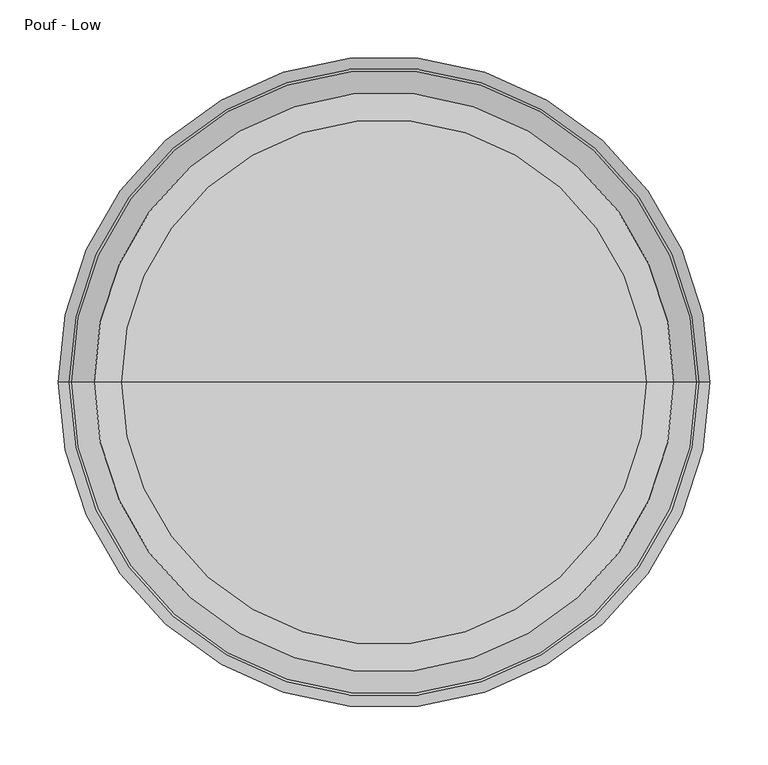
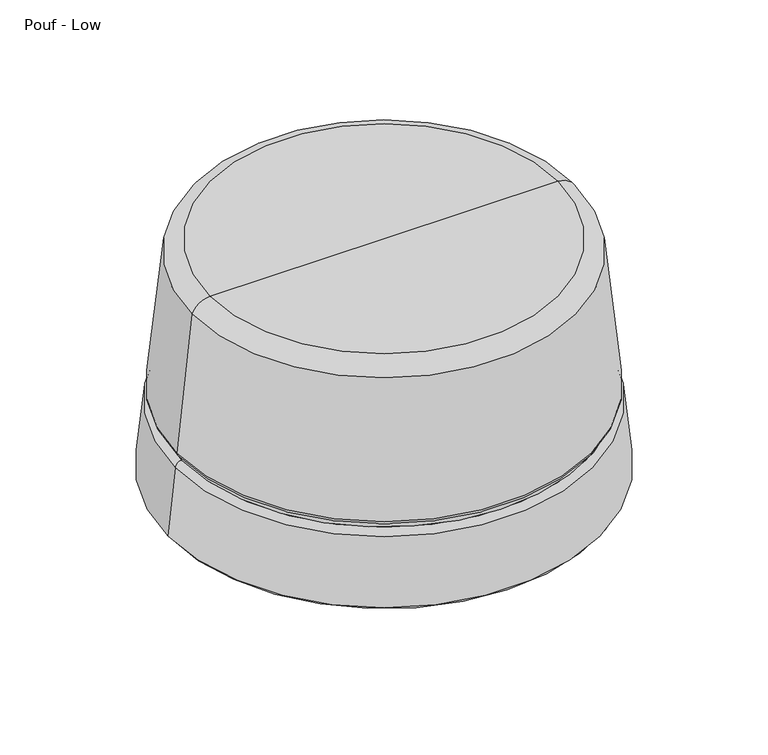
"""IFC4 building model written with IfcOpenShell, lengths in millimetres: furniture geometry, Pouf - Low."""

import ifcopenshell
import ifcopenshell.guid

model = None  # the IFC model being written
_history = None  # IfcOwnerHistory: only IFC2X3 demands one
_inside = {}  # id of a spatial element -> (the spatial element, [elements in it])
_under = {}  # id of a project, library or spatial element -> (it, [spatial elements below it])
_declared = {}  # id of a project -> (the project, [libraries it declares])
_typed = {}  # id of a type object -> (the type object, [elements of that type])
_made_of = {}  # id of a material, layer set ... -> (it, [elements and type objects made of it])


def new_model(schema):
    """Start an empty IFC model of exactly this schema.

    Asked for "IFC4X3", IfcOpenShell would pick the latest addendum, in which some entities
    have other attributes; the version numbers below select the first issue.
    IFC2X3 requires an IfcOwnerHistory on every rooted entity: one is made here for all.
    """
    global model, _history
    if schema == "IFC4X3":
        model = ifcopenshell.file(schema_version=(4, 3, 0, 0))
    else:
        model = ifcopenshell.file(schema=schema)
    _inside.clear()
    _under.clear()
    _declared.clear()
    _typed.clear()
    _made_of.clear()
    _history = None
    if model.schema == "IFC2X3":
        org = make("IfcOrganization", Name="unknown")
        user = make(
            "IfcPersonAndOrganization",
            ThePerson=make("IfcPerson", FamilyName="unknown"),
            TheOrganization=org,
        )
        app = make(
            "IfcApplication",
            ApplicationDeveloper=org,
            Version="unknown",
            ApplicationFullName="unknown",
            ApplicationIdentifier="unknown",
        )
        _history = make(
            "IfcOwnerHistory",
            OwningUser=user,
            OwningApplication=app,
            ChangeAction="ADDED",
            CreationDate=0,
        )
    return model


def make(cls, **values):
    """One entity of the class cls with the attributes given. An attribute that is None is left unset."""
    return model.create_entity(
        cls, **{name: value for name, value in values.items() if value is not None}
    )


def rooted(cls, **values):
    """An entity with a GlobalId (a new one), such as an element, a storey or a relation."""
    return make(cls, GlobalId=ifcopenshell.guid.new(), OwnerHistory=_history, **values)


def si_unit(unit_type, name, prefix=None):
    """IfcSIUnit, for example si_unit("LENGTHUNIT", "METRE", prefix="MILLI")."""
    return make("IfcSIUnit", UnitType=unit_type, Prefix=prefix, Name=name)


def assignment(units):
    """IfcUnitAssignment: the units of a project."""
    return None if units is None else make("IfcUnitAssignment", Units=units)


def point(xyz):
    """IfcCartesianPoint."""
    return None if xyz is None else make("IfcCartesianPoint", Coordinates=xyz)


def direction(xyz):
    """IfcDirection."""
    return None if xyz is None else make("IfcDirection", DirectionRatios=xyz)


def frame(location, z_axis=None, x_axis=None):
    """IfcAxis2Placement3D, a coordinate frame: its origin and axes. An axis left out is left unset."""
    return make(
        "IfcAxis2Placement3D",
        Location=point(location),
        Axis=direction(z_axis),
        RefDirection=direction(x_axis),
    )


def origin():
    """The frame at (0, 0, 0) with its axes left unset."""
    return frame((0.0, 0.0, 0.0))


def place(relative_to, where):
    """IfcLocalPlacement: puts the frame where relative to a parent placement (None: the world)."""
    return make(
        "IfcLocalPlacement", PlacementRelTo=relative_to, RelativePlacement=where
    )


def context(
    kind, dimensions, precision=None, world=None, true_north=None, identifier=None
):
    """IfcGeometricRepresentationContext, for example the 3D "Model" context."""
    return make(
        "IfcGeometricRepresentationContext",
        ContextIdentifier=identifier,
        ContextType=kind,
        CoordinateSpaceDimension=dimensions,
        Precision=precision,
        WorldCoordinateSystem=world,
        TrueNorth=true_north,
    )


def project(units=None, contexts=None):
    """IfcProject with its units and contexts."""
    return rooted(
        "IfcProject",
        Name="project",
        RepresentationContexts=contexts,
        UnitsInContext=assignment(units),
    )


def spatial(cls, under=None, at=None, **own):
    """A site, building, storey or space (cls), placed at a placement, below another one or the project."""
    s = rooted(cls, ObjectPlacement=at, **own)
    if under is not None:
        _under.setdefault(under.id(), (under, []))[1].append(s)
    return s


def polyline(points):
    """IfcPolyline through the points."""
    return make("IfcPolyline", Points=[point(p) for p in points])


def circle_curve(where, radius):
    """IfcCircle in the frame where."""
    return make("IfcCircle", Position=where, Radius=radius)


def ellipse_curve(where, semi_axis1, semi_axis2):
    """IfcEllipse in the frame where."""
    return make(
        "IfcEllipse", Position=where, SemiAxis1=semi_axis1, SemiAxis2=semi_axis2
    )


def trimmed(basis, trim1, trim2, sense, master):
    """IfcTrimmedCurve: the piece of a basis curve between two trims."""
    return make(
        "IfcTrimmedCurve",
        BasisCurve=basis,
        Trim1=trim1,
        Trim2=trim2,
        SenseAgreement=sense,
        MasterRepresentation=master,
    )


def shape(context_of_items, identifier, shape_type, items):
    """IfcShapeRepresentation: the items that make up one representation, for example the "Body"."""
    return make(
        "IfcShapeRepresentation",
        ContextOfItems=context_of_items,
        RepresentationIdentifier=identifier,
        RepresentationType=shape_type,
        Items=items,
    )


def source(mapping_origin, context_of_items, identifier, shape_type, items):
    """IfcRepresentationMap: a shape defined once, which mapped items show again and again."""
    return make(
        "IfcRepresentationMap",
        MappingOrigin=mapping_origin,
        MappedRepresentation=shape(context_of_items, identifier, shape_type, items),
    )


def transform(
    local_origin,
    x_axis=None,
    y_axis=None,
    z_axis=None,
    scale=None,
    scale2=None,
    scale3=None,
    uniform=True,
):
    """IfcCartesianTransformationOperator3D, or its non-uniform kind. x_axis, y_axis, z_axis: its Axis1, 2, 3."""
    if uniform:
        return make(
            "IfcCartesianTransformationOperator3D",
            Axis1=direction(x_axis),
            Axis2=direction(y_axis),
            LocalOrigin=point(local_origin),
            Scale=scale,
            Axis3=direction(z_axis),
        )
    return make(
        "IfcCartesianTransformationOperator3DnonUniform",
        Axis1=direction(x_axis),
        Axis2=direction(y_axis),
        LocalOrigin=point(local_origin),
        Scale=scale,
        Axis3=direction(z_axis),
        Scale2=scale2,
        Scale3=scale3,
    )


def mapped(mapping_source, mapping_target):
    """IfcMappedItem: shows the shape of a source again, moved by a transform."""
    return make(
        "IfcMappedItem", MappingSource=mapping_source, MappingTarget=mapping_target
    )


def made_of(thing, what):
    """Note that an element or type object is made of a material, layer set ...; save() writes the relation."""
    if what is not None:
        _made_of.setdefault(what.id(), (what, []))[1].append(thing)
    return thing


def element(
    cls,
    number,
    at=None,
    inside=None,
    cuts=None,
    type_object=None,
    material=None,
    context=None,
    identifier="Body",
    shape_type=None,
    held_by="IfcProductDefinitionShape",
    body=None,
    shapes=None,
    **own,
):
    """One element of the class cls, such as IfcWall. Its Tag is "e" and its number.

    at: its placement. inside: the storey or other place that contains it. cuts: it is an
    opening in that element (IfcRelVoidsElement). A single representation is given by context,
    identifier, shape_type and body (its items); several are given by shapes. held_by: the class
    of the entity that holds the representations. save() writes the other relations.
    """
    e = rooted(cls, Tag="e%d" % number, ObjectPlacement=at, **own)
    if body is not None:
        shapes = [shape(context, identifier, shape_type, body)]
    if shapes is not None:
        e.Representation = make(held_by, Representations=shapes)
    if inside is not None:
        _inside.setdefault(inside.id(), (inside, []))[1].append(e)
    if cuts is not None:
        rooted(
            "IfcRelVoidsElement", RelatingBuildingElement=cuts, RelatedOpeningElement=e
        )
    if type_object is not None:
        _typed.setdefault(type_object.id(), (type_object, []))[1].append(e)
    return made_of(e, material)


def aggregate(whole, parts):
    """IfcRelAggregates: a whole, such as a stair, and the parts it consists of."""
    return rooted("IfcRelAggregates", RelatingObject=whole, RelatedObjects=parts)


def save(model, path):
    """Write the relations noted so far, then the file.

    IfcRelAggregates (storeys below a building ...), IfcRelContainedInSpatialStructure (elements
    in a storey), IfcRelDefinesByType, IfcRelAssociatesMaterial and IfcRelDeclares: one each for
    every whole, place, type object, material and project.
    """
    for whole, parts in _under.values():
        aggregate(whole, parts)
    for where, things in _inside.values():
        rooted(
            "IfcRelContainedInSpatialStructure",
            RelatedElements=things,
            RelatingStructure=where,
        )
    for kind, things in _typed.values():
        rooted("IfcRelDefinesByType", RelatedObjects=things, RelatingType=kind)
    for what, things in _made_of.values():
        rooted("IfcRelAssociatesMaterial", RelatedObjects=things, RelatingMaterial=what)
    for by, libraries in _declared.values():
        rooted("IfcRelDeclares", RelatingContext=by, RelatedDefinitions=libraries)
    model.write(path)


def plane_surface(at):
    """IfcPlane: the flat surface through the origin of the frame at, square to its z axis."""
    return make("IfcPlane", Position=at)


def cylinder_surface(at, radius):
    """IfcCylindricalSurface: all points at the distance radius from the z axis of the frame at."""
    return make("IfcCylindricalSurface", Position=at, Radius=radius)


def revolved_surface(curve, axis_point, axis_direction):
    """IfcSurfaceOfRevolution: the curve turned about the line through axis_point along axis_direction."""
    return make(
        "IfcSurfaceOfRevolution",
        SweptCurve=make("IfcArbitraryOpenProfileDef", ProfileType="CURVE", Curve=curve),
        AxisPosition=make("IfcAxis1Placement", Location=point(axis_point), Axis=direction(axis_direction)),
    )


def advanced_brep(points, edges, surfaces, faces):
    """IfcAdvancedBrep: a solid bounded by faces that lie on surfaces and meet in shared edges.

    An edge is (start, end): straight between two places in points (the first is 0);
    or (start, end, curve); or (start, end, curve, False) where it runs against its curve.
    A face is (place in surfaces, loops), or (place, loops, False) where it looks against
    its surface's normal. A loop lists edges by number (the first is 1), with a minus sign
    where the edge is run from its end to its start. The first loop is the outer one.
    """
    corners = [point(p) for p in points]
    vertices = [make("IfcVertexPoint", VertexGeometry=c) for c in corners]
    made = []
    for start, end, *more in edges:
        made.append(
            make(
                "IfcEdgeCurve",
                EdgeStart=vertices[start],
                EdgeEnd=vertices[end],
                EdgeGeometry=more[0] if more else make("IfcPolyline", Points=[corners[start], corners[end]]),
                SameSense=more[1] if len(more) > 1 else True,
            )
        )
    hull = []
    for where, loops, *sense in faces:
        bounds = []
        for j, loop in enumerate(loops):
            ring = [make("IfcOrientedEdge", EdgeElement=made[abs(k) - 1], Orientation=k > 0) for k in loop]
            bounds.append(
                make(
                    "IfcFaceOuterBound" if j == 0 else "IfcFaceBound",
                    Bound=make("IfcEdgeLoop", EdgeList=ring),
                    Orientation=True,
                )
            )
        hull.append(make("IfcAdvancedFace", Bounds=bounds, FaceSurface=surfaces[where], SameSense=sense[0] if sense else True))
    return make("IfcAdvancedBrep", Outer=make("IfcClosedShell", CfsFaces=hull))


def pouf_low_6088260b(model_context):
    return source(origin(), model_context, "Body", "AdvancedBrep", [
        advanced_brep(
        [(85.690561, -281.9300781, 380.0078125), (536.609439, -281.9300781, 380.0078125), (311.15, -281.9300781, 380.0078125), (42.6841337, -281.9300781, 180.017355), (579.6158663, -281.9300781, 180.017355), (560.3197528, -281.9300781, 363.6076112), (61.9802472, -281.9300781, 363.6076112), (48.4172088, -281.9300781, 174.2842799), (573.8827913, -281.9300781, 174.2842799), (48.4172088, -281.9300781, 168.3822003), (573.8827913, -281.9300781, 168.3822003), (40.6442598, -281.9300781, 160.6092514), (581.6557402, -281.9300781, 160.6092514), (31.1050781, -281.9300781, 69.85), (591.1949219, -281.9300781, 69.85), (311.15, -281.9300781, 69.85)],
        [
            (0, 1, circle_curve(frame((311.15, -281.9300781, 380.0078125), z_axis=(0.0, 0.0, 1.0), x_axis=(1.0, 0.0, 0.0)), 225.459439)),
            (1, 2),
            (2, 0),
            (1, 0, circle_curve(frame((311.15, -281.9300781, 380.0078125), z_axis=(0.0, 0.0, 1.0), x_axis=(1.0, 0.0, 0.0)), 225.459439)),
            (3, 4, circle_curve(frame((311.15, -281.9300781, 180.017355), z_axis=(0.0, 0.0, 1.0), x_axis=(1.0, 0.0, 0.0)), 268.4658663)),
            (4, 5),
            (5, 6, circle_curve(frame((311.15, -281.9300781, 363.6076112), z_axis=(0.0, 0.0, -1.0), x_axis=(1.0, 0.0, 0.0)), 249.1697528)),
            (6, 3),
            (4, 3, circle_curve(frame((311.15, -281.9300781, 180.017355), z_axis=(0.0, 0.0, 1.0), x_axis=(1.0, 0.0, 0.0)), 268.4658663)),
            (6, 5, circle_curve(frame((311.15, -281.9300781, 363.6076112), z_axis=(0.0, 0.0, -1.0), x_axis=(1.0, 0.0, 0.0)), 249.1697528)),
            (7, 8, circle_curve(frame((311.15, -281.9300781, 174.2842799), z_axis=(0.0, 0.0, 1.0), x_axis=(1.0, 0.0, 0.0)), 262.7327912)),
            (8, 4, circle_curve(frame((573.8827913, -281.9300781, 180.017355), z_axis=(0.0, -1.0, 0.0), x_axis=(-1.0, 0.0, 0.0)), 5.733075)),
            (3, 7, circle_curve(frame((48.4172088, -281.9300781, 180.017355), z_axis=(0.0, -1.0, 0.0), x_axis=(1.0, 0.0, 0.0)), 5.733075)),
            (8, 7, circle_curve(frame((311.15, -281.9300781, 174.2842799), z_axis=(0.0, 0.0, 1.0), x_axis=(1.0, 0.0, 0.0)), 262.7327912)),
            (9, 10, circle_curve(frame((311.15, -281.9300781, 168.3822003), z_axis=(0.0, 0.0, 1.0), x_axis=(1.0, 0.0, 0.0)), 262.7327912)),
            (10, 8),
            (7, 9),
            (10, 9, circle_curve(frame((311.15, -281.9300781, 168.3822003), z_axis=(0.0, 0.0, 1.0), x_axis=(1.0, 0.0, 0.0)), 262.7327912)),
            (11, 12, circle_curve(frame((311.15, -281.9300781, 160.6092514), z_axis=(0.0, 0.0, 1.0), x_axis=(1.0, 0.0, 0.0)), 270.5057402)),
            (12, 10, circle_curve(frame((573.8827913, -281.9300781, 160.6092514), z_axis=(0.0, -1.0, 0.0), x_axis=(-1.0, 0.0, 0.0)), 7.7729489)),
            (9, 11, circle_curve(frame((48.4172088, -281.9300781, 160.6092514), z_axis=(0.0, -1.0, 0.0), x_axis=(1.0, 0.0, 0.0)), 7.7729489)),
            (12, 11, circle_curve(frame((311.15, -281.9300781, 160.6092514), z_axis=(0.0, 0.0, 1.0), x_axis=(1.0, 0.0, 0.0)), 270.5057402)),
            (13, 14, circle_curve(frame((311.15, -281.9300781, 69.85), z_axis=(0.0, 0.0, 1.0), x_axis=(1.0, 0.0, 0.0)), 280.0449219)),
            (14, 12),
            (11, 13),
            (14, 13, circle_curve(frame((311.15, -281.9300781, 69.85), z_axis=(0.0, 0.0, 1.0), x_axis=(1.0, 0.0, 0.0)), 280.0449219)),
            (15, 14),
            (13, 15),
            (5, 1, circle_curve(frame((536.609439, -281.9300781, 354.6683192), z_axis=(0.0, -1.0, 0.0), x_axis=(-1.0, 0.0, 0.0)), 25.3394933)),
            (0, 6, circle_curve(frame((85.690561, -281.9300781, 354.6683192), z_axis=(0.0, -1.0, 0.0), x_axis=(1.0, 0.0, 0.0)), 25.3394933)),
        ],
        [
            plane_surface(frame((311.15, -281.9300781, 380.0078125), z_axis=(0.0, 0.0, 1.0), x_axis=(1.0, 0.0, 0.0))),
            revolved_surface(polyline([(560.3197528, -281.9300781, 363.6076112), (579.6158663, -281.9300781, 180.017355)]), (311.15, -281.9300781, 532.4078125), (0.0, 0.0, -1.0)),
            revolved_surface(trimmed(ellipse_curve(frame((573.8827913, -281.9300781, 180.017355), z_axis=(0.0, 1.0, 0.0), x_axis=(-1.0, 0.0, 0.0)), 5.733075, 5.733075), [point((579.6158663, -281.9300781, 180.017355))], [point((573.8827913, -281.9300781, 174.2842799))], True, "CARTESIAN"), (311.15, -281.9300781, 532.4078125), (0.0, 0.0, -1.0)),
            cylinder_surface(frame((311.15, -281.9300781, 532.4078125), z_axis=(0.0, 0.0, -1.0), x_axis=(1.0, 0.0, 0.0)), 262.7327912),
            revolved_surface(trimmed(ellipse_curve(frame((573.8827913, -281.9300781, 160.6092514), z_axis=(0.0, 1.0, 0.0), x_axis=(-1.0, 0.0, 0.0)), 7.7729489, 7.7729489), [point((573.8827913, -281.9300781, 168.3822003))], [point((581.6557402, -281.9300781, 160.6092514))], True, "CARTESIAN"), (311.15, -281.9300781, 532.4078125), (0.0, 0.0, -1.0)),
            revolved_surface(polyline([(581.6557402, -281.9300781, 160.6092514), (591.1949219, -281.9300781, 69.85)]), (311.15, -281.9300781, 532.4078125), (0.0, 0.0, -1.0)),
            plane_surface(frame((311.15, -281.9300781, 69.85), z_axis=(0.0, 0.0, -1.0), x_axis=(1.0, 0.0, 0.0))),
            revolved_surface(trimmed(ellipse_curve(frame((536.609439, -281.9300781, 354.6683192), z_axis=(0.0, 1.0, 0.0), x_axis=(-1.0, 0.0, 0.0)), 25.3394933, 25.3394933), [point((536.609439, -281.9300781, 380.0078125))], [point((560.3197528, -281.9300781, 363.6076112))], True, "CARTESIAN"), (311.15, -281.9300781, 532.4078125), (0.0, 0.0, -1.0)),
        ],
        [
            (0, [[1, 2, 3]]),
            (0, [[4, -3, -2]]),
            (1, [[5, 6, 7, 8]]),
            (1, [[9, -8, 10, -6]]),
            (2, [[11, 12, -5, 13]]),
            (2, [[14, -13, -9, -12]]),
            (3, [[15, 16, -11, 17]]),
            (3, [[18, -17, -14, -16]]),
            (4, [[19, 20, -15, 21]]),
            (4, [[22, -21, -18, -20]]),
            (5, [[23, 24, -19, 25]]),
            (5, [[26, -25, -22, -24]]),
            (6, [[27, -23, 28]]),
            (6, [[-28, -26, -27]]),
            (7, [[-7, 29, -1, 30]]),
            (7, [[-10, -30, -4, -29]]),
        ],
    ),
        advanced_brep(
        [(311.15, -281.9300781, 0.0), (588.6304385, -281.9300781, 66.675), (33.6695615, -281.9300781, 66.675), (33.6695615, -281.9300781, 69.85), (588.6304385, -281.9300781, 69.85), (311.15, -281.9300781, 69.85)],
        [
            (0, 1, circle_curve(frame((317.2310657, -281.9300781, 585.4232908), z_axis=(0.0, -1.0, 0.0), x_axis=(-1.0, 0.0, 0.0)), 585.4548734)),
            (1, 2, circle_curve(frame((311.15, -281.9300781, 66.675), z_axis=(0.0, 0.0, -1.0), x_axis=(1.0, 0.0, 0.0)), 277.4804385)),
            (2, 0, circle_curve(frame((305.0689343, -281.9300781, 585.4232908), z_axis=(0.0, -1.0, 0.0), x_axis=(1.0, 0.0, 0.0)), 585.4548734)),
            (2, 1, circle_curve(frame((311.15, -281.9300781, 66.675), z_axis=(0.0, 0.0, -1.0), x_axis=(1.0, 0.0, 0.0)), 277.4804385)),
            (3, 4, circle_curve(frame((311.15, -281.9300781, 69.85), z_axis=(0.0, 0.0, 1.0), x_axis=(1.0, 0.0, 0.0)), 277.4804385)),
            (4, 5),
            (5, 3),
            (4, 3, circle_curve(frame((311.15, -281.9300781, 69.85), z_axis=(0.0, 0.0, 1.0), x_axis=(1.0, 0.0, 0.0)), 277.4804385)),
            (1, 4),
            (3, 2),
        ],
        [
            revolved_surface(trimmed(ellipse_curve(frame((317.2310657, -281.9300781, 585.4232908), z_axis=(0.0, 1.0, 0.0), x_axis=(-1.0, 0.0, 0.0)), 585.4548734, 585.4548734), [point((588.6304385, -281.9300781, 66.675))], [point((311.15, -281.9300781, 0.0))], True, "CARTESIAN"), (311.15, -281.9300781, 207.0695313), (0.0, 0.0, -1.0)),
            plane_surface(frame((311.15, -281.9300781, 69.85), z_axis=(0.0, 0.0, 1.0), x_axis=(1.0, 0.0, 0.0))),
            cylinder_surface(frame((311.15, -281.9300781, 207.0695313), z_axis=(0.0, 0.0, -1.0), x_axis=(1.0, 0.0, 0.0)), 277.4804385),
        ],
        [
            (0, [[1, 2, 3]]),
            (0, [[-3, 4, -1]]),
            (1, [[5, 6, 7]]),
            (1, [[8, -7, -6]]),
            (2, [[-2, 9, -5, 10]]),
            (2, [[-4, -10, -8, -9]]),
        ],
    ),
    ])


if __name__ == "__main__":
    model = new_model("IFC4")
    model_context = context("Model", 3, world=origin())
    ifc_project = project(units=[si_unit("LENGTHUNIT", "METRE", prefix="MILLI")], contexts=[model_context])
    site = spatial("IfcSite", under=ifc_project)
    building = spatial("IfcBuilding", under=site)
    placement = place(None, origin())
    pouf_low_shape = pouf_low_6088260b(model_context)
    element("IfcFurniture", 1, ObjectType="Pouf - Low", at=placement, inside=building, context=model_context, shape_type="MappedRepresentation", body=[
        mapped(pouf_low_shape, transform((0.0, 0.0, 0.0), x_axis=(1.0, 0.0, 0.0), y_axis=(0.0, 1.0, 0.0), z_axis=(0.0, 0.0, 1.0))),
    ])
    save(model, "model.ifc")
